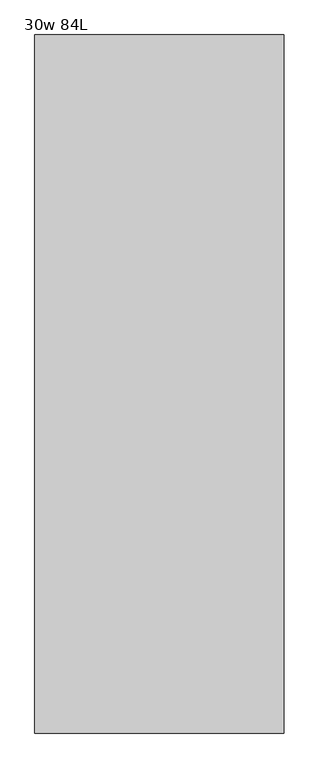
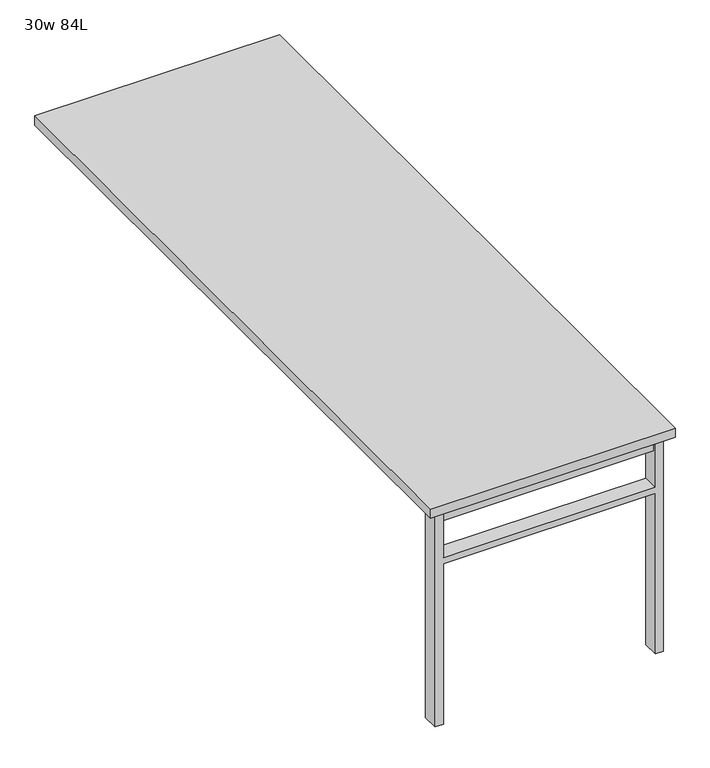
"""IFC4 building model written with IfcOpenShell, lengths in millimetres: furniture geometry, 30w 84L."""

import ifcopenshell
import ifcopenshell.guid

model = None  # the IFC model being written
_history = None  # IfcOwnerHistory: only IFC2X3 demands one
_inside = {}  # id of a spatial element -> (the spatial element, [elements in it])
_under = {}  # id of a project, library or spatial element -> (it, [spatial elements below it])
_declared = {}  # id of a project -> (the project, [libraries it declares])
_typed = {}  # id of a type object -> (the type object, [elements of that type])
_made_of = {}  # id of a material, layer set ... -> (it, [elements and type objects made of it])


def new_model(schema):
    """Start an empty IFC model of exactly this schema.

    Asked for "IFC4X3", IfcOpenShell would pick the latest addendum, in which some entities
    have other attributes; the version numbers below select the first issue.
    IFC2X3 requires an IfcOwnerHistory on every rooted entity: one is made here for all.
    """
    global model, _history
    if schema == "IFC4X3":
        model = ifcopenshell.file(schema_version=(4, 3, 0, 0))
    else:
        model = ifcopenshell.file(schema=schema)
    _inside.clear()
    _under.clear()
    _declared.clear()
    _typed.clear()
    _made_of.clear()
    _history = None
    if model.schema == "IFC2X3":
        org = make("IfcOrganization", Name="unknown")
        user = make(
            "IfcPersonAndOrganization",
            ThePerson=make("IfcPerson", FamilyName="unknown"),
            TheOrganization=org,
        )
        app = make(
            "IfcApplication",
            ApplicationDeveloper=org,
            Version="unknown",
            ApplicationFullName="unknown",
            ApplicationIdentifier="unknown",
        )
        _history = make(
            "IfcOwnerHistory",
            OwningUser=user,
            OwningApplication=app,
            ChangeAction="ADDED",
            CreationDate=0,
        )
    return model


def make(cls, **values):
    """One entity of the class cls with the attributes given. An attribute that is None is left unset."""
    return model.create_entity(
        cls, **{name: value for name, value in values.items() if value is not None}
    )


def rooted(cls, **values):
    """An entity with a GlobalId (a new one), such as an element, a storey or a relation."""
    return make(cls, GlobalId=ifcopenshell.guid.new(), OwnerHistory=_history, **values)


def si_unit(unit_type, name, prefix=None):
    """IfcSIUnit, for example si_unit("LENGTHUNIT", "METRE", prefix="MILLI")."""
    return make("IfcSIUnit", UnitType=unit_type, Prefix=prefix, Name=name)


def assignment(units):
    """IfcUnitAssignment: the units of a project."""
    return None if units is None else make("IfcUnitAssignment", Units=units)


def point(xyz):
    """IfcCartesianPoint."""
    return None if xyz is None else make("IfcCartesianPoint", Coordinates=xyz)


def direction(xyz):
    """IfcDirection."""
    return None if xyz is None else make("IfcDirection", DirectionRatios=xyz)


def frame(location, z_axis=None, x_axis=None):
    """IfcAxis2Placement3D, a coordinate frame: its origin and axes. An axis left out is left unset."""
    return make(
        "IfcAxis2Placement3D",
        Location=point(location),
        Axis=direction(z_axis),
        RefDirection=direction(x_axis),
    )


def origin():
    """The frame at (0, 0, 0) with its axes left unset."""
    return frame((0.0, 0.0, 0.0))


def place(relative_to, where):
    """IfcLocalPlacement: puts the frame where relative to a parent placement (None: the world)."""
    return make(
        "IfcLocalPlacement", PlacementRelTo=relative_to, RelativePlacement=where
    )


def context(
    kind, dimensions, precision=None, world=None, true_north=None, identifier=None
):
    """IfcGeometricRepresentationContext, for example the 3D "Model" context."""
    return make(
        "IfcGeometricRepresentationContext",
        ContextIdentifier=identifier,
        ContextType=kind,
        CoordinateSpaceDimension=dimensions,
        Precision=precision,
        WorldCoordinateSystem=world,
        TrueNorth=true_north,
    )


def project(units=None, contexts=None):
    """IfcProject with its units and contexts."""
    return rooted(
        "IfcProject",
        Name="project",
        RepresentationContexts=contexts,
        UnitsInContext=assignment(units),
    )


def spatial(cls, under=None, at=None, **own):
    """A site, building, storey or space (cls), placed at a placement, below another one or the project."""
    s = rooted(cls, ObjectPlacement=at, **own)
    if under is not None:
        _under.setdefault(under.id(), (under, []))[1].append(s)
    return s


def polyline(points):
    """IfcPolyline through the points."""
    return make("IfcPolyline", Points=[point(p) for p in points])


def outline(outer, holes=None, kind="AREA"):
    """IfcArbitraryClosedProfileDef: a profile drawn as a closed curve; with holes, ...WithVoids."""
    if holes is None:
        return make("IfcArbitraryClosedProfileDef", ProfileType=kind, OuterCurve=outer)
    return make(
        "IfcArbitraryProfileDefWithVoids",
        ProfileType=kind,
        OuterCurve=outer,
        InnerCurves=holes,
    )


def extrude(swept, where, along, depth):
    """IfcExtrudedAreaSolid: the profile swept, set in the frame where, extruded along a direction by depth."""
    return make(
        "IfcExtrudedAreaSolid",
        SweptArea=swept,
        Position=where,
        ExtrudedDirection=direction(along),
        Depth=depth,
    )


def shape(context_of_items, identifier, shape_type, items):
    """IfcShapeRepresentation: the items that make up one representation, for example the "Body"."""
    return make(
        "IfcShapeRepresentation",
        ContextOfItems=context_of_items,
        RepresentationIdentifier=identifier,
        RepresentationType=shape_type,
        Items=items,
    )


def source(mapping_origin, context_of_items, identifier, shape_type, items):
    """IfcRepresentationMap: a shape defined once, which mapped items show again and again."""
    return make(
        "IfcRepresentationMap",
        MappingOrigin=mapping_origin,
        MappedRepresentation=shape(context_of_items, identifier, shape_type, items),
    )


def transform(
    local_origin,
    x_axis=None,
    y_axis=None,
    z_axis=None,
    scale=None,
    scale2=None,
    scale3=None,
    uniform=True,
):
    """IfcCartesianTransformationOperator3D, or its non-uniform kind. x_axis, y_axis, z_axis: its Axis1, 2, 3."""
    if uniform:
        return make(
            "IfcCartesianTransformationOperator3D",
            Axis1=direction(x_axis),
            Axis2=direction(y_axis),
            LocalOrigin=point(local_origin),
            Scale=scale,
            Axis3=direction(z_axis),
        )
    return make(
        "IfcCartesianTransformationOperator3DnonUniform",
        Axis1=direction(x_axis),
        Axis2=direction(y_axis),
        LocalOrigin=point(local_origin),
        Scale=scale,
        Axis3=direction(z_axis),
        Scale2=scale2,
        Scale3=scale3,
    )


def mapped(mapping_source, mapping_target):
    """IfcMappedItem: shows the shape of a source again, moved by a transform."""
    return make(
        "IfcMappedItem", MappingSource=mapping_source, MappingTarget=mapping_target
    )


def made_of(thing, what):
    """Note that an element or type object is made of a material, layer set ...; save() writes the relation."""
    if what is not None:
        _made_of.setdefault(what.id(), (what, []))[1].append(thing)
    return thing


def element(
    cls,
    number,
    at=None,
    inside=None,
    cuts=None,
    type_object=None,
    material=None,
    context=None,
    identifier="Body",
    shape_type=None,
    held_by="IfcProductDefinitionShape",
    body=None,
    shapes=None,
    **own,
):
    """One element of the class cls, such as IfcWall. Its Tag is "e" and its number.

    at: its placement. inside: the storey or other place that contains it. cuts: it is an
    opening in that element (IfcRelVoidsElement). A single representation is given by context,
    identifier, shape_type and body (its items); several are given by shapes. held_by: the class
    of the entity that holds the representations. save() writes the other relations.
    """
    e = rooted(cls, Tag="e%d" % number, ObjectPlacement=at, **own)
    if body is not None:
        shapes = [shape(context, identifier, shape_type, body)]
    if shapes is not None:
        e.Representation = make(held_by, Representations=shapes)
    if inside is not None:
        _inside.setdefault(inside.id(), (inside, []))[1].append(e)
    if cuts is not None:
        rooted(
            "IfcRelVoidsElement", RelatingBuildingElement=cuts, RelatedOpeningElement=e
        )
    if type_object is not None:
        _typed.setdefault(type_object.id(), (type_object, []))[1].append(e)
    return made_of(e, material)


def aggregate(whole, parts):
    """IfcRelAggregates: a whole, such as a stair, and the parts it consists of."""
    return rooted("IfcRelAggregates", RelatingObject=whole, RelatedObjects=parts)


def save(model, path):
    """Write the relations noted so far, then the file.

    IfcRelAggregates (storeys below a building ...), IfcRelContainedInSpatialStructure (elements
    in a storey), IfcRelDefinesByType, IfcRelAssociatesMaterial and IfcRelDeclares: one each for
    every whole, place, type object, material and project.
    """
    for whole, parts in _under.values():
        aggregate(whole, parts)
    for where, things in _inside.values():
        rooted(
            "IfcRelContainedInSpatialStructure",
            RelatedElements=things,
            RelatingStructure=where,
        )
    for kind, things in _typed.values():
        rooted("IfcRelDefinesByType", RelatedObjects=things, RelatingType=kind)
    for what, things in _made_of.values():
        rooted("IfcRelAssociatesMaterial", RelatedObjects=things, RelatingMaterial=what)
    for by, libraries in _declared.values():
        rooted("IfcRelDeclares", RelatingContext=by, RelatedDefinitions=libraries)
    model.write(path)


def furniture_30w_84l_65992aaf(model_context):
    return source(origin(), model_context, "Body", "SweptSolid", [
        extrude(outline(polyline([(-330.2, -1006.475), (330.2, -1006.475), (330.2, -1038.225), (-330.2, -1038.225), (-330.2, -1006.475)])), frame((0.0, 0.0, 661.9875), z_axis=(0.0, 0.0, 1.0), x_axis=(1.0, 0.0, 0.0)), (0.0, 0.0, 1.0), 44.45),
        extrude(outline(polyline([(528.6375, 330.2), (0.0, 330.2), (0.0, 355.6), (706.4375, 355.6), (706.4375, 330.2), (547.6875, 330.2), (547.6875, -330.2), (706.4375, -330.2), (706.4375, -355.6), (0.0, -355.6), (0.0, -330.2), (528.6375, -330.2), (528.6375, 330.2)])), frame((0.0, -1047.75, 0.0), z_axis=(0.0, 1.0, 0.0), x_axis=(0.0, 0.0, 1.0)), (0.0, 0.0, 1.0), 50.8),
        extrude(outline(polyline([(-381.0, -1066.8), (-381.0, 1066.8), (381.0, 1066.8), (381.0, -1066.8), (-381.0, -1066.8)])), frame((0.0, 0.0, 706.4375), z_axis=(0.0, 0.0, 1.0), x_axis=(1.0, 0.0, 0.0)), (0.0, 0.0, 1.0), 30.1625),
    ])


if __name__ == "__main__":
    model = new_model("IFC4")
    model_context = context("Model", 3, world=origin())
    ifc_project = project(units=[si_unit("LENGTHUNIT", "METRE", prefix="MILLI")], contexts=[model_context])
    site = spatial("IfcSite", under=ifc_project)
    building = spatial("IfcBuilding", under=site)
    placement = place(None, origin())
    furniture_30w_84l_shape = furniture_30w_84l_65992aaf(model_context)
    element("IfcFurniture", 1, ObjectType="30w 84L", at=placement, inside=building, context=model_context, shape_type="MappedRepresentation", body=[
        mapped(furniture_30w_84l_shape, transform((0.0, 0.0, 0.0), x_axis=(1.0, 0.0, 0.0), y_axis=(0.0, 1.0, 0.0), z_axis=(0.0, 0.0, 1.0))),
    ])
    save(model, "model.ifc")
